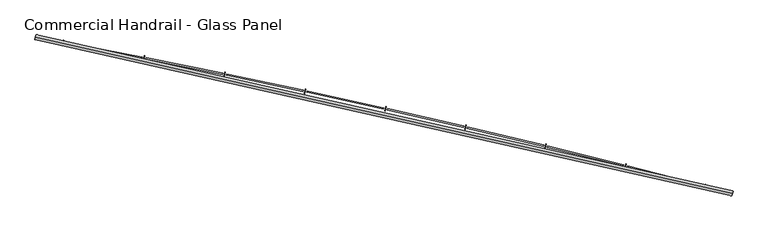
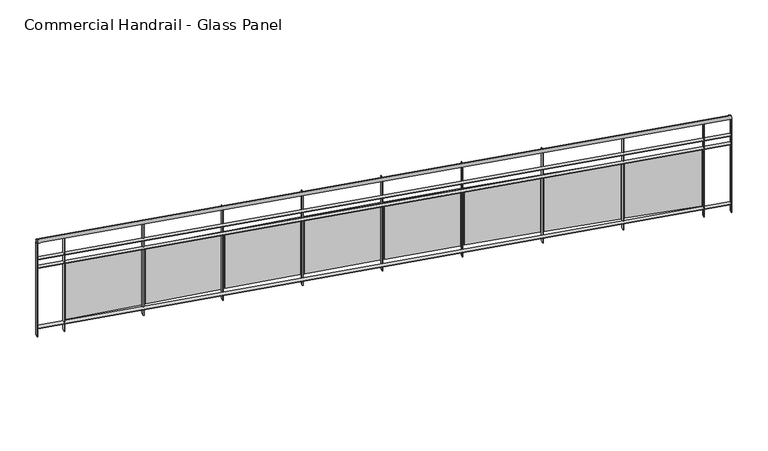
"""IFC4 building model written with IfcOpenShell, lengths in millimetres: railing geometry, Commercial Handrail - Glass Panel."""

from ifc_helpers import new_model, si_unit, point, frame, origin, place, context, project, spatial, polyline, circle_curve, ellipse_curve, trimmed, outline, extrude, source, transform, mapped, element, save
from ifc_brep_helpers import plane_surface, cylinder_surface, revolved_surface, advanced_brep


def commercial_handrail_glass_panel_1de2824f(model_context):
    return source(origin(), model_context, "Body", "SolidModel", [
        advanced_brep(
        [(147529.5593555, -11171.1779597, 12882.5), (140754.7489821, -9648.612099, 12882.5), (140754.7489821, -9648.612099, 12917.5), (147529.5593555, -11171.1779597, 12917.5)],
        [
            (0, 1, circle_curve(frame((123990.1653691, -100078.2018552, 12882.5), z_axis=(0.0, 0.0, 1.0), x_axis=(0.18228230158229036, 0.9832462369772197, 0.0)), 91970.4407253)),
            (1, 2, ellipse_curve(frame((140754.7489821, -9648.612099, 12900.0), z_axis=(0.9832462369772187, -0.18228230158229672, 0.0), x_axis=(-0.1822823015822967, -0.9832462369772185, 0.0)), 25.0, 17.5)),
            (2, 3, circle_curve(frame((123990.1653691, -100078.2018552, 12917.5), z_axis=(0.0, 0.0, -1.0), x_axis=(0.18228230158229036, 0.9832462369772197, 0.0)), 91970.4407253)),
            (3, 0, ellipse_curve(frame((147529.5593555, -11171.1779597, 12900.0), z_axis=(-0.9666912890096803, 0.2559452124045356, 0.0), x_axis=(-0.2559452124045356, -0.9666912890096803, 0.0)), 25.0, 17.5)),
            (2, 1, ellipse_curve(frame((140754.7489821, -9648.612099, 12900.0), z_axis=(0.9832462369772187, -0.18228230158229672, 0.0), x_axis=(-0.1822823015822967, -0.9832462369772185, 0.0)), 25.0, 17.5)),
            (0, 3, ellipse_curve(frame((147529.5593555, -11171.1779597, 12900.0), z_axis=(-0.9666912890096803, 0.2559452124045356, 0.0), x_axis=(-0.2559452124045356, -0.9666912890096803, 0.0)), 25.0, 17.5)),
        ],
        [
            revolved_surface(trimmed(ellipse_curve(frame((140754.7489821, -9648.612099, 12900.0), z_axis=(-0.9832462369772197, 0.18228230158229036, 0.0), x_axis=(0.0, 0.0, -1.0)), 17.5, 25.0), [point((140754.7489821, -9648.612099, 12917.5))], [point((140754.7489821, -9648.612099, 12882.5))], True, "CARTESIAN"), (123990.1653691, -100078.2018552, 12900.0), (0.0, 0.0, -1.0)),
            revolved_surface(trimmed(ellipse_curve(frame((140754.7489821, -9648.612099, 12900.0), z_axis=(-0.9832462369772197, 0.18228230158229036, 0.0), x_axis=(0.0, 0.0, -1.0)), 17.5, 25.0), [point((140754.7489821, -9648.612099, 12882.5))], [point((140754.7489821, -9648.612099, 12917.5))], True, "CARTESIAN"), (123990.1653691, -100078.2018552, 12900.0), (0.0, 0.0, -1.0)),
            plane_surface(frame((140754.7489821, -9648.612099, 12900.0), z_axis=(-0.9832462369772198, 0.1822823015822904, 0.0), x_axis=(0.1822823015822904, 0.9832462369772198, 0.0))),
            plane_surface(frame((147529.5593555, -11171.1779597, 12900.0), z_axis=(0.9666912890096803, -0.25594521240453566, 0.0), x_axis=(0.25594521240453566, 0.9666912890096803, 0.0))),
        ],
        [
            (0, [[1, 2, 3, 4]]),
            (1, [[-3, 5, -1, 6]]),
            (2, [[-2, -5]]),
            (3, [[-6, -4]]),
        ],
    ),
        advanced_brep(
        [(147535.3181228, -11149.4274057, 12700.0), (140758.8503338, -9626.4890586, 12700.0), (140750.6476303, -9670.7351393, 12700.0), (147523.8005882, -11192.9285137, 12700.0), (147535.3181228, -11149.4274057, 12694.0), (140758.8503338, -9626.4890586, 12694.0), (147523.8005882, -11192.9285137, 12694.0), (140750.6476303, -9670.7351393, 12694.0)],
        [
            (0, 1, circle_curve(frame((123990.1653691, -100078.2018552, 12700.0), z_axis=(0.0, 0.0, 1.0), x_axis=(0.18228230158229036, 0.9832462369772197, 0.0)), 91992.9407253)),
            (1, 2),
            (2, 3, circle_curve(frame((123990.1653691, -100078.2018552, 12700.0), z_axis=(0.0, 0.0, -1.0), x_axis=(0.18228230158229036, 0.9832462369772197, 0.0)), 91947.9407253)),
            (3, 0),
            (4, 5, circle_curve(frame((123990.1653691, -100078.2018552, 12694.0), z_axis=(0.0, 0.0, 1.0), x_axis=(0.18228230158229036, 0.9832462369772197, 0.0)), 91992.9407253)),
            (5, 1),
            (0, 4),
            (6, 7, circle_curve(frame((123990.1653691, -100078.2018552, 12694.0), z_axis=(0.0, 0.0, 1.0), x_axis=(0.18228230158229036, 0.9832462369772197, 0.0)), 91947.9407253)),
            (7, 5),
            (4, 6),
            (2, 7),
            (6, 3),
        ],
        [
            plane_surface(frame((123990.1653691, -100078.2018552, 12700.0), z_axis=(0.0, 0.0, 1.0), x_axis=(0.18228230158229036, 0.9832462369772197, 0.0))),
            cylinder_surface(frame((123990.1653691, -100078.2018552, 12700.0), z_axis=(0.0, 0.0, -1.0), x_axis=(0.18228230158229036, 0.9832462369772197, 0.0)), 91992.9407253),
            plane_surface(frame((123990.1653691, -100078.2018552, 12694.0), z_axis=(0.0, 0.0, -1.0), x_axis=(0.18228230158229036, 0.9832462369772197, 0.0))),
            revolved_surface(polyline([(140750.6476302597, -9670.735139244323, 12694.0), (140750.6476302597, -9670.735139244323, 12700.0)]), (123990.1653691, -100078.2018552, 12700.0), (0.0, 0.0, -1.0)),
            plane_surface(frame((140754.7489821, -9648.612099, 12700.0), z_axis=(-0.9832462369772198, 0.1822823015822904, 0.0), x_axis=(0.1822823015822904, 0.9832462369772198, 0.0))),
            plane_surface(frame((147529.5593555, -11171.1779597, 12700.0), z_axis=(0.9666912890096803, -0.25594521240453566, 0.0), x_axis=(0.25594521240453566, 0.9666912890096803, 0.0))),
        ],
        [
            (0, [[1, 2, 3, 4]]),
            (1, [[5, 6, -1, 7]]),
            (2, [[8, 9, -5, 10]]),
            (3, [[-3, 11, -8, 12]]),
            (4, [[-2, -6, -9, -11]]),
            (5, [[-12, -10, -7, -4]]),
        ],
    ),
        advanced_brep(
        [(147535.3181228, -11149.4274057, 12600.0), (140758.8503338, -9626.4890586, 12600.0), (140750.6476303, -9670.7351393, 12600.0), (147523.8005882, -11192.9285137, 12600.0), (147535.3181228, -11149.4274057, 12594.0), (140758.8503338, -9626.4890586, 12594.0), (147523.8005882, -11192.9285137, 12594.0), (140750.6476303, -9670.7351393, 12594.0)],
        [
            (0, 1, circle_curve(frame((123990.1653691, -100078.2018552, 12600.0), z_axis=(0.0, 0.0, 1.0), x_axis=(0.18228230158229036, 0.9832462369772197, 0.0)), 91992.9407253)),
            (1, 2),
            (2, 3, circle_curve(frame((123990.1653691, -100078.2018552, 12600.0), z_axis=(0.0, 0.0, -1.0), x_axis=(0.18228230158229036, 0.9832462369772197, 0.0)), 91947.9407253)),
            (3, 0),
            (4, 5, circle_curve(frame((123990.1653691, -100078.2018552, 12594.0), z_axis=(0.0, 0.0, 1.0), x_axis=(0.18228230158229036, 0.9832462369772197, 0.0)), 91992.9407253)),
            (5, 1),
            (0, 4),
            (6, 7, circle_curve(frame((123990.1653691, -100078.2018552, 12594.0), z_axis=(0.0, 0.0, 1.0), x_axis=(0.18228230158229036, 0.9832462369772197, 0.0)), 91947.9407253)),
            (7, 5),
            (4, 6),
            (2, 7),
            (6, 3),
        ],
        [
            plane_surface(frame((123990.1653691, -100078.2018552, 12600.0), z_axis=(0.0, 0.0, 1.0), x_axis=(0.18228230158229036, 0.9832462369772197, 0.0))),
            cylinder_surface(frame((123990.1653691, -100078.2018552, 12600.0), z_axis=(0.0, 0.0, -1.0), x_axis=(0.18228230158229036, 0.9832462369772197, 0.0)), 91992.9407253),
            plane_surface(frame((123990.1653691, -100078.2018552, 12594.0), z_axis=(0.0, 0.0, -1.0), x_axis=(0.18228230158229036, 0.9832462369772197, 0.0))),
            revolved_surface(polyline([(140750.6476302597, -9670.735139244323, 12594.0), (140750.6476302597, -9670.735139244323, 12600.0)]), (123990.1653691, -100078.2018552, 12600.0), (0.0, 0.0, -1.0)),
            plane_surface(frame((140754.7489821, -9648.612099, 12600.0), z_axis=(-0.9832462369772198, 0.1822823015822904, 0.0), x_axis=(0.1822823015822904, 0.9832462369772198, 0.0))),
            plane_surface(frame((147529.5593555, -11171.1779597, 12600.0), z_axis=(0.9666912890096803, -0.25594521240453566, 0.0), x_axis=(0.25594521240453566, 0.9666912890096803, 0.0))),
        ],
        [
            (0, [[1, 2, 3, 4]]),
            (1, [[5, 6, -1, 7]]),
            (2, [[8, 9, -5, 10]]),
            (3, [[-3, 11, -8, 12]]),
            (4, [[-2, -6, -9, -11]]),
            (5, [[-12, -10, -7, -4]]),
        ],
    ),
        advanced_brep(
        [(147535.3181228, -11149.4274057, 11900.0), (140758.8503338, -9626.4890586, 11900.0), (140750.6476303, -9670.7351393, 11900.0), (147523.8005882, -11192.9285137, 11900.0), (147535.3181228, -11149.4274057, 11894.0), (140758.8503338, -9626.4890586, 11894.0), (147523.8005882, -11192.9285137, 11894.0), (140750.6476303, -9670.7351393, 11894.0)],
        [
            (0, 1, circle_curve(frame((123990.1653691, -100078.2018552, 11900.0), z_axis=(0.0, 0.0, 1.0), x_axis=(0.18228230158229036, 0.9832462369772197, 0.0)), 91992.9407253)),
            (1, 2),
            (2, 3, circle_curve(frame((123990.1653691, -100078.2018552, 11900.0), z_axis=(0.0, 0.0, -1.0), x_axis=(0.18228230158229036, 0.9832462369772197, 0.0)), 91947.9407253)),
            (3, 0),
            (4, 5, circle_curve(frame((123990.1653691, -100078.2018552, 11894.0), z_axis=(0.0, 0.0, 1.0), x_axis=(0.18228230158229036, 0.9832462369772197, 0.0)), 91992.9407253)),
            (5, 1),
            (0, 4),
            (6, 7, circle_curve(frame((123990.1653691, -100078.2018552, 11894.0), z_axis=(0.0, 0.0, 1.0), x_axis=(0.18228230158229036, 0.9832462369772197, 0.0)), 91947.9407253)),
            (7, 5),
            (4, 6),
            (2, 7),
            (6, 3),
        ],
        [
            plane_surface(frame((123990.1653691, -100078.2018552, 11900.0), z_axis=(0.0, 0.0, 1.0), x_axis=(0.18228230158229036, 0.9832462369772197, 0.0))),
            cylinder_surface(frame((123990.1653691, -100078.2018552, 11900.0), z_axis=(0.0, 0.0, -1.0), x_axis=(0.18228230158229036, 0.9832462369772197, 0.0)), 91992.9407253),
            plane_surface(frame((123990.1653691, -100078.2018552, 11894.0), z_axis=(0.0, 0.0, -1.0), x_axis=(0.18228230158229036, 0.9832462369772197, 0.0))),
            revolved_surface(polyline([(140750.6476302597, -9670.735139244323, 11894.0), (140750.6476302597, -9670.735139244323, 11900.0)]), (123990.1653691, -100078.2018552, 11900.0), (0.0, 0.0, -1.0)),
            plane_surface(frame((140754.7489821, -9648.612099, 11900.0), z_axis=(-0.9832462369772198, 0.1822823015822904, 0.0), x_axis=(0.1822823015822904, 0.9832462369772198, 0.0))),
            plane_surface(frame((147529.5593555, -11171.1779597, 11900.0), z_axis=(0.9666912890096803, -0.25594521240453566, 0.0), x_axis=(0.25594521240453566, 0.9666912890096803, 0.0))),
        ],
        [
            (0, [[1, 2, 3, 4]]),
            (1, [[5, 6, -1, 7]]),
            (2, [[8, 9, -5, 10]]),
            (3, [[-3, 11, -8, 12]]),
            (4, [[-2, -6, -9, -11]]),
            (5, [[-12, -10, -7, -4]]),
        ],
    ),
        extrude(outline(polyline([(147257.221986, -11122.7754383), (147268.6104754, -11079.2403685), (147274.4151514, -11080.7588337), (147263.0266619, -11124.2939036), (147257.221986, -11122.7754383)])), frame((0.0, 0.0, 11800.0), z_axis=(0.0, 0.0, 1.0), x_axis=(1.0, 0.0, 0.0)), (0.0, 0.0, 1.0), 1082.1192282),
        extrude(outline(polyline([(146512.0701942, -10900.9970799), (147248.1587203, -11090.1363983), (147245.17231, -11101.7588487), (146509.0837839, -10912.6195303), (146512.0701942, -10900.9970799)])), frame((0.0, 0.0, 11920.0), z_axis=(0.0, 0.0, 1.0), x_axis=(1.0, 0.0, 0.0)), (0.0, 0.0, 1.0), 660.0),
        extrude(outline(polyline([(146482.5774638, -10923.7560279), (146493.5868397, -10880.1235441), (146499.4045042, -10881.5914608), (146488.3951283, -10925.2239446), (146482.5774638, -10923.7560279)])), frame((0.0, 0.0, 11800.0), z_axis=(0.0, 0.0, 1.0), x_axis=(1.0, 0.0, 0.0)), (0.0, 0.0, 1.0), 1082.1192282),
        extrude(outline(polyline([(145735.524759, -10708.4676411), (146473.2306356, -10891.1970579), (146470.3454342, -10902.8450454), (145732.6395577, -10720.1156287), (145735.524759, -10708.4676411)])), frame((0.0, 0.0, 11920.0), z_axis=(0.0, 0.0, 1.0), x_axis=(1.0, 0.0, 0.0)), (0.0, 0.0, 1.0), 660.0),
        extrude(outline(polyline([(145706.2311094, -10731.4822658), (145716.8605387, -10687.7556694), (145722.6907516, -10689.1729267), (145712.0613222, -10732.8995231), (145706.2311094, -10731.4822658)])), frame((0.0, 0.0, 11800.0), z_axis=(0.0, 0.0, 1.0), x_axis=(1.0, 0.0, 0.0)), (0.0, 0.0, 1.0), 1082.1192282),
        extrude(outline(polyline([(144957.3340156, -10522.7001401), (145696.6014259, -10699.0058295), (145693.8176518, -10710.6784728), (144954.5502416, -10534.3727835), (144957.3340156, -10522.7001401)])), frame((0.0, 0.0, 11920.0), z_axis=(0.0, 0.0, 1.0), x_axis=(1.0, 0.0, 0.0)), (0.0, 0.0, 1.0), 660.0),
        extrude(outline(polyline([(144928.2416631, -10545.9687002), (144938.4903417, -10502.1512997), (144944.3326617, -10503.5177901), (144934.0839832, -10547.3351907), (144928.2416631, -10545.9687002)])), frame((0.0, 0.0, 11800.0), z_axis=(0.0, 0.0, 1.0), x_axis=(1.0, 0.0, 0.0)), (0.0, 0.0, 1.0), 1082.1192282),
        extrude(outline(polyline([(144177.5568437, -10343.7086325), (144918.3298529, -10513.5772547), (144915.6477168, -10525.2736707), (144174.8747076, -10355.4050484), (144177.5568437, -10343.7086325)])), frame((0.0, 0.0, 11920.0), z_axis=(0.0, 0.0, 1.0), x_axis=(1.0, 0.0, 0.0)), (0.0, 0.0, 1.0), 660.0),
        extrude(outline(polyline([(144148.6679896, -10367.2293674), (144158.5351419, -10323.324478), (144164.3891271, -10324.6400983), (144154.5219749, -10368.5449877), (144148.6679896, -10367.2293674)])), frame((0.0, 0.0, 11800.0), z_axis=(0.0, 0.0, 1.0), x_axis=(1.0, 0.0, 0.0)), (0.0, 0.0, 1.0), 1082.1192282),
        extrude(outline(polyline([(143396.2522433, -10171.5066611), (144138.4748027, -10334.9253636), (144135.8945074, -10346.6446671), (143393.671948, -10183.2259647), (143396.2522433, -10171.5066611)])), frame((0.0, 0.0, 11920.0), z_axis=(0.0, 0.0, 1.0), x_axis=(1.0, 0.0, 0.0)), (0.0, 0.0, 1.0), 660.0),
        extrude(outline(polyline([(143367.5690734, -10195.2777912), (143377.0539528, -10151.288735), (143382.9191603, -10152.5533856), (143373.4342809, -10196.5424418), (143367.5690734, -10195.2777912)])), frame((0.0, 0.0, 11800.0), z_axis=(0.0, 0.0, 1.0), x_axis=(1.0, 0.0, 0.0)), (0.0, 0.0, 1.0), 1082.1192282),
        extrude(outline(polyline([(142613.4793297, -10006.1072553), (143357.0952809, -10163.0636733), (143354.6170217, -10174.8049778), (142611.0010705, -10017.8485598), (142613.4793297, -10006.1072553)])), frame((0.0, 0.0, 11920.0), z_axis=(0.0, 0.0, 1.0), x_axis=(1.0, 0.0, 0.0)), (0.0, 0.0, 1.0), 660.0),
        extrude(outline(polyline([(142585.0040143, -10030.126982), (142594.1059033, -9986.0570873), (142599.9818892, -9987.2706725), (142590.8800002, -10031.3405672), (142585.0040143, -10030.126982)])), frame((0.0, 0.0, 11800.0), z_axis=(0.0, 0.0, 1.0), x_axis=(1.0, 0.0, 0.0)), (0.0, 0.0, 1.0), 1082.1192282),
        extrude(outline(polyline([(141829.2973297, -9847.5229296), (142574.2504088, -9998.0051873), (142571.8743732, -10009.7676044), (141826.921294, -9859.2853466), (141829.2973297, -9847.5229296)])), frame((0.0, 0.0, 11920.0), z_axis=(0.0, 0.0, 1.0), x_axis=(1.0, 0.0, 0.0)), (0.0, 0.0, 1.0), 660.0),
        extrude(outline(polyline([(141801.0320231, -9871.7894354), (141809.750233, -9827.6420367), (141815.6365528, -9828.8044646), (141806.918343, -9872.9518634), (141801.0320231, -9871.7894354)])), frame((0.0, 0.0, 11800.0), z_axis=(0.0, 0.0, 1.0), x_axis=(1.0, 0.0, 0.0)), (0.0, 0.0, 1.0), 1082.1192282),
        extrude(outline(polyline([(141043.7655762, -9695.7656828), (141789.9994183, -9839.7623945), (141787.725786, -9851.5450341), (141041.491944, -9707.5483224), (141043.7655762, -9695.7656828)])), frame((0.0, 0.0, 11920.0), z_axis=(0.0, 0.0, 1.0), x_axis=(1.0, 0.0, 0.0)), (0.0, 0.0, 1.0), 660.0),
        extrude(outline(polyline([(141015.7124173, -9720.2771318), (141024.0462883, -9676.0555692), (141029.9424967, -9677.166752), (141021.6086256, -9721.3883146), (141015.7124173, -9720.2771318)])), frame((0.0, 0.0, 11800.0), z_axis=(0.0, 0.0, 1.0), x_axis=(1.0, 0.0, 0.0)), (0.0, 0.0, 1.0), 1082.1192282),
        extrude(outline(polyline([(147520.9005143, -11192.1606781), (147532.4180489, -11148.6595701), (147538.2181966, -11150.1952413), (147526.7006621, -11193.6963494), (147520.9005143, -11192.1606781)])), frame((0.0, 0.0, 11800.0), z_axis=(0.0, 0.0, 1.0), x_axis=(1.0, 0.0, 0.0)), (0.0, 0.0, 1.0), 1082.1192282),
        extrude(outline(polyline([(140747.6978916, -9670.1882924), (140755.9005951, -9625.9422117), (140761.8000726, -9627.0359055), (140753.597369, -9671.2819862), (140747.6978916, -9670.1882924)])), frame((0.0, 0.0, 11800.0), z_axis=(0.0, 0.0, 1.0), x_axis=(1.0, 0.0, 0.0)), (0.0, 0.0, 1.0), 1082.1192282),
    ])


if __name__ == "__main__":
    model = new_model("IFC4")
    model_context = context("Model", 3, world=origin())
    ifc_project = project(units=[si_unit("LENGTHUNIT", "METRE", prefix="MILLI")], contexts=[model_context])
    site = spatial("IfcSite", under=ifc_project)
    building = spatial("IfcBuilding", under=site)
    placement = place(None, origin())
    commercial_handrail_glass_panel_shape = commercial_handrail_glass_panel_1de2824f(model_context)
    element("IfcRailing", 1, ObjectType="Commercial Handrail - Glass Panel", at=placement, inside=building, context=model_context, shape_type="MappedRepresentation", body=[
        mapped(commercial_handrail_glass_panel_shape, transform((0.0, 0.0, 0.0), x_axis=(1.0, 0.0, 0.0), y_axis=(0.0, 1.0, 0.0), z_axis=(0.0, 0.0, 1.0))),
    ])
    save(model, "model.ifc")
